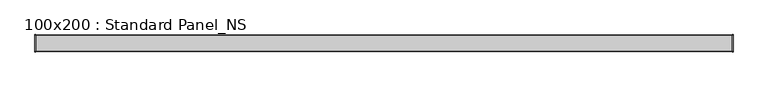
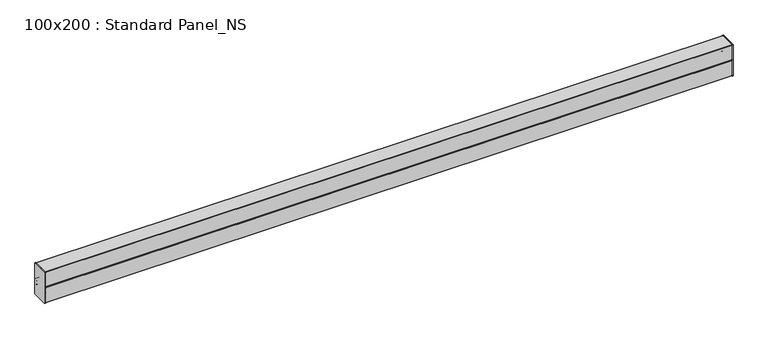
"""IFC4 building model written with IfcOpenShell, lengths in millimetres: proxy geometry, 100x200 : Standard Panel_NS."""

from ifc_helpers import new_model, si_unit, point, frame, frame_2d, origin, place, context, project, spatial, polyline, circle_curve, trimmed, segment, composite_curve, outline, extrude, source, transform, mapped, element, save


def proxy_100x200_standard_panel_ns_7d3d6090(model_context):
    return source(origin(), model_context, "Body", "SweptSolid", [
        extrude(outline(composite_curve([segment(trimmed(circle_curve(frame_2d((48.35, 198.35)), 3.65), [point((48.35, 202.0))], [point((52.0, 198.35))], False, "CARTESIAN"), True, "CONTINUOUS"), segment(polyline([(52.0, 198.35), (52.0, 1.65)]), True, "CONTINUOUS"), segment(trimmed(circle_curve(frame_2d((48.35, 1.65)), 3.65), [point((52.0, 1.65))], [point((48.35, -2.0))], False, "CARTESIAN"), True, "CONTINUOUS"), segment(polyline([(48.35, -2.0), (-48.35, -2.0)]), True, "CONTINUOUS"), segment(trimmed(circle_curve(frame_2d((-48.35, 1.65)), 3.65), [point((-48.35, -2.0))], [point((-52.0, 1.65))], False, "CARTESIAN"), True, "CONTINUOUS"), segment(polyline([(-52.0, 1.65), (-52.0, 198.35)]), True, "CONTINUOUS"), segment(trimmed(circle_curve(frame_2d((-48.35, 198.35)), 3.65), [point((-52.0, 198.35))], [point((-48.35, 202.0))], False, "CARTESIAN"), True, "CONTINUOUS"), segment(polyline([(-48.35, 202.0), (48.35, 202.0)]), True, "CONTINUOUS")], self_intersect=False)), frame((-4.0, 0.0, 0.0), z_axis=(1.0, 0.0, 0.0), x_axis=(0.0, 1.0, 0.0)), (0.0, 0.0, 1.0), 4.0),
        extrude(outline(composite_curve([segment(polyline([(-48.35, 202.0), (48.35, 202.0)]), True, "CONTINUOUS"), segment(trimmed(circle_curve(frame_2d((48.35, 198.35)), 3.65), [point((48.35, 202.0))], [point((52.0, 198.35))], False, "CARTESIAN"), True, "CONTINUOUS"), segment(polyline([(52.0, 198.35), (52.0, 1.65)]), True, "CONTINUOUS"), segment(trimmed(circle_curve(frame_2d((48.35, 1.65)), 3.65), [point((52.0, 1.65))], [point((48.35, -2.0))], False, "CARTESIAN"), True, "CONTINUOUS"), segment(polyline([(48.35, -2.0), (-48.35, -2.0)]), True, "CONTINUOUS"), segment(trimmed(circle_curve(frame_2d((-48.35, 1.65)), 3.65), [point((-48.35, -2.0))], [point((-52.0, 1.65))], False, "CARTESIAN"), True, "CONTINUOUS"), segment(polyline([(-52.0, 1.65), (-52.0, 198.35)]), True, "CONTINUOUS"), segment(trimmed(circle_curve(frame_2d((-48.35, 198.35)), 3.65), [point((-52.0, 198.35))], [point((-48.35, 202.0))], False, "CARTESIAN"), True, "CONTINUOUS")], self_intersect=False)), frame((4200.0, 0.0, 0.0), z_axis=(1.0, 0.0, 0.0), x_axis=(0.0, 1.0, 0.0)), (0.0, 0.0, 1.0), 4.0),
        extrude(outline(composite_curve([segment(trimmed(circle_curve(frame_2d((-46.6428932, 79.452932)), 1.65), [point((-48.2928932, 79.452932))], [point((-47.8096194, 80.6196582))], False, "CARTESIAN"), True, "CONTINUOUS"), segment(polyline([(-47.8096194, 80.6196582), (-38.1862915, 90.2429861)]), True, "CONTINUOUS"), segment(trimmed(circle_curve(frame_2d((-38.8933983, 90.9500929)), 1.0), [point((-38.1862915, 90.2429861))], [point((-38.1862915, 91.6571996))], True, "CARTESIAN"), True, "CONTINUOUS"), segment(polyline([(-38.1862915, 91.6571996), (-49.5167262, 102.9876343)]), True, "CONTINUOUS"), segment(trimmed(circle_curve(frame_2d((-48.35, 104.1543605)), 1.65), [point((-49.5167262, 102.9876343))], [point((-50.0, 104.1543605))], False, "CARTESIAN"), True, "CONTINUOUS"), segment(polyline([(-50.0, 104.1543605), (-50.0, 198.7672618)]), True, "CONTINUOUS"), segment(trimmed(circle_curve(frame_2d((-48.35, 198.7672618)), 1.65), [point((-50.0, 198.7672618))], [point((-48.35, 200.4172618))], False, "CARTESIAN"), True, "CONTINUOUS"), segment(polyline([(-48.35, 200.4172618), (48.35, 200.4172618)]), True, "CONTINUOUS"), segment(trimmed(circle_curve(frame_2d((48.35, 198.7672618)), 1.65), [point((48.35, 200.4172618))], [point((50.0, 198.7672618))], False, "CARTESIAN"), True, "CONTINUOUS"), segment(polyline([(50.0, 198.7672618), (50.0, 104.1543605)]), True, "CONTINUOUS"), segment(trimmed(circle_curve(frame_2d((48.35, 104.1543605)), 1.65), [point((50.0, 104.1543605))], [point((49.5167262, 102.9876343))], False, "CARTESIAN"), True, "CONTINUOUS"), segment(polyline([(49.5167262, 102.9876343), (38.1862915, 91.6571996)]), True, "CONTINUOUS"), segment(trimmed(circle_curve(frame_2d((38.8933983, 90.9500929)), 1.0), [point((38.1862915, 91.6571996))], [point((38.1862915, 90.2429861))], True, "CARTESIAN"), True, "CONTINUOUS"), segment(polyline([(38.1862915, 90.2429861), (47.8096194, 80.6196582)]), True, "CONTINUOUS"), segment(trimmed(circle_curve(frame_2d((46.6428932, 79.452932)), 1.65), [point((47.8096194, 80.6196582))], [point((48.2928932, 79.452932))], False, "CARTESIAN"), True, "CONTINUOUS"), segment(polyline([(48.2928932, 79.452932), (48.2928932, 63.7215409)]), True, "CONTINUOUS"), segment(trimmed(circle_curve(frame_2d((46.7928932, 63.7215409)), 1.5), [point((48.2928932, 63.7215409))], [point((45.2928932, 63.7215409))], False, "CARTESIAN"), True, "CONTINUOUS"), segment(polyline([(45.2928932, 63.7215409), (45.2928932, 72.2215409), (46.2928932, 72.2215409), (46.2928932, 63.7215409)]), True, "CONTINUOUS"), segment(trimmed(circle_curve(frame_2d((46.7928932, 63.7215409)), 0.5), [point((46.2928932, 63.7215409))], [point((47.2928932, 63.7215409))], True, "CARTESIAN"), True, "CONTINUOUS"), segment(polyline([(47.2928932, 63.7215409), (47.2928932, 79.7221708), (37.4741595, 89.5409045)]), True, "CONTINUOUS"), segment(trimmed(circle_curve(frame_2d((38.888373, 90.9551181)), 2.0), [point((37.4741595, 89.5409045))], [point((37.4741595, 92.3693317))], False, "CARTESIAN"), True, "CONTINUOUS"), segment(polyline([(37.4741595, 92.3693317), (49.0, 103.8951722), (49.0, 198.7672618)]), True, "CONTINUOUS"), segment(trimmed(circle_curve(frame_2d((48.35, 198.7672618)), 0.65), [point((49.0, 198.7672618))], [point((48.35, 199.4172618))], True, "CARTESIAN"), True, "CONTINUOUS"), segment(polyline([(48.35, 199.4172618), (-48.35, 199.4172618)]), True, "CONTINUOUS"), segment(trimmed(circle_curve(frame_2d((-48.35, 198.7672618)), 0.65), [point((-48.35, 199.4172618))], [point((-49.0, 198.7672618))], True, "CARTESIAN"), True, "CONTINUOUS"), segment(polyline([(-49.0, 198.7672618), (-49.0, 103.8951722), (-37.4741595, 92.3693317)]), True, "CONTINUOUS"), segment(trimmed(circle_curve(frame_2d((-38.888373, 90.9551181)), 2.0), [point((-37.4741595, 92.3693317))], [point((-37.4741595, 89.5409045))], False, "CARTESIAN"), True, "CONTINUOUS"), segment(polyline([(-37.4741595, 89.5409045), (-47.2928932, 79.7221708), (-47.2928932, 63.7215409)]), True, "CONTINUOUS"), segment(trimmed(circle_curve(frame_2d((-46.7928932, 63.7215409)), 0.5), [point((-47.2928932, 63.7215409))], [point((-46.2928932, 63.7215409))], True, "CARTESIAN"), True, "CONTINUOUS"), segment(polyline([(-46.2928932, 63.7215409), (-46.2928932, 72.2215409), (-45.2928932, 72.2215409), (-45.2928932, 63.7215409)]), True, "CONTINUOUS"), segment(trimmed(circle_curve(frame_2d((-46.7928932, 63.7215409)), 1.5), [point((-45.2928932, 63.7215409))], [point((-48.2928932, 63.7215409))], False, "CARTESIAN"), True, "CONTINUOUS"), segment(polyline([(-48.2928932, 63.7215409), (-48.2928932, 79.452932)]), True, "CONTINUOUS")], self_intersect=False)), frame((0.0, 0.0, 0.0), z_axis=(1.0, 0.0, 0.0), x_axis=(0.0, 1.0, 0.0)), (0.0, 0.0, 1.0), 4200.0),
        extrude(outline(composite_curve([segment(trimmed(circle_curve(frame_2d((48.5, 99.25)), 1.5), [point((47.0, 99.25))], [point((50.0, 99.25))], False, "CARTESIAN"), True, "CONTINUOUS"), segment(polyline([(50.0, 99.25), (50.0, 1.65)]), True, "CONTINUOUS"), segment(trimmed(circle_curve(frame_2d((48.35, 1.65)), 1.65), [point((50.0, 1.65))], [point((48.35, 0.0))], False, "CARTESIAN"), True, "CONTINUOUS"), segment(polyline([(48.35, 0.0), (-48.35, 0.0)]), True, "CONTINUOUS"), segment(trimmed(circle_curve(frame_2d((-48.35, 1.65)), 1.65), [point((-48.35, 0.0))], [point((-50.0, 1.65))], False, "CARTESIAN"), True, "CONTINUOUS"), segment(polyline([(-50.0, 1.65), (-50.0, 99.25)]), True, "CONTINUOUS"), segment(trimmed(circle_curve(frame_2d((-48.5, 99.25)), 1.5), [point((-50.0, 99.25))], [point((-47.0, 99.25))], False, "CARTESIAN"), True, "CONTINUOUS"), segment(polyline([(-47.0, 99.25), (-47.0, 85.75), (-48.0, 85.75), (-48.0, 99.25)]), True, "CONTINUOUS"), segment(trimmed(circle_curve(frame_2d((-48.5, 99.25)), 0.5), [point((-48.0, 99.25))], [point((-49.0, 99.25))], True, "CARTESIAN"), True, "CONTINUOUS"), segment(polyline([(-49.0, 99.25), (-49.0, 1.65)]), True, "CONTINUOUS"), segment(trimmed(circle_curve(frame_2d((-48.35, 1.65)), 0.65), [point((-49.0, 1.65))], [point((-48.35, 1.0))], True, "CARTESIAN"), True, "CONTINUOUS"), segment(polyline([(-48.35, 1.0), (48.35, 1.0)]), True, "CONTINUOUS"), segment(trimmed(circle_curve(frame_2d((48.35, 1.65)), 0.65), [point((48.35, 1.0))], [point((49.0, 1.65))], True, "CARTESIAN"), True, "CONTINUOUS"), segment(polyline([(49.0, 1.65), (49.0, 99.25)]), True, "CONTINUOUS"), segment(trimmed(circle_curve(frame_2d((48.5, 99.25)), 0.5), [point((49.0, 99.25))], [point((48.0, 99.25))], True, "CARTESIAN"), True, "CONTINUOUS"), segment(polyline([(48.0, 99.25), (48.0, 85.75), (47.0, 85.75), (47.0, 99.25)]), True, "CONTINUOUS")], self_intersect=False)), frame((0.0, 0.0, 0.0), z_axis=(1.0, 0.0, 0.0), x_axis=(0.0, 1.0, 0.0)), (0.0, 0.0, 1.0), 4200.0),
    ])


if __name__ == "__main__":
    model = new_model("IFC4")
    model_context = context("Model", 3, world=origin())
    ifc_project = project(units=[si_unit("LENGTHUNIT", "METRE", prefix="MILLI")], contexts=[model_context])
    site = spatial("IfcSite", under=ifc_project)
    building = spatial("IfcBuilding", under=site)
    placement = place(None, origin())
    proxy_100x200_standard_panel_ns_shape = proxy_100x200_standard_panel_ns_7d3d6090(model_context)
    element("IfcBuildingElementProxy", 1, Name="100x200 : Standard Panel_NS", ObjectType="100x200 : Standard Panel_NS", at=placement, inside=building, context=model_context, shape_type="MappedRepresentation", body=[
        mapped(proxy_100x200_standard_panel_ns_shape, transform((0.0, 0.0, 0.0), x_axis=(1.0, 0.0, 0.0), y_axis=(0.0, 1.0, 0.0), z_axis=(0.0, 0.0, 1.0))),
    ])
    save(model, "model.ifc")
